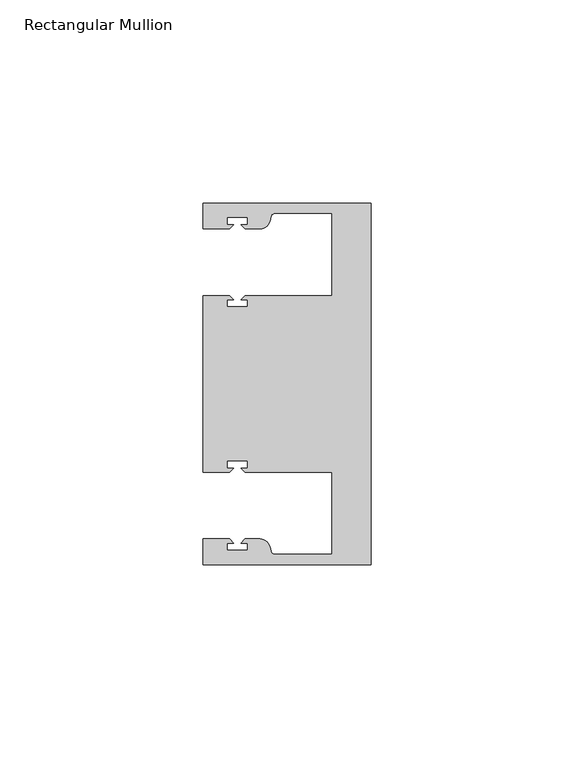
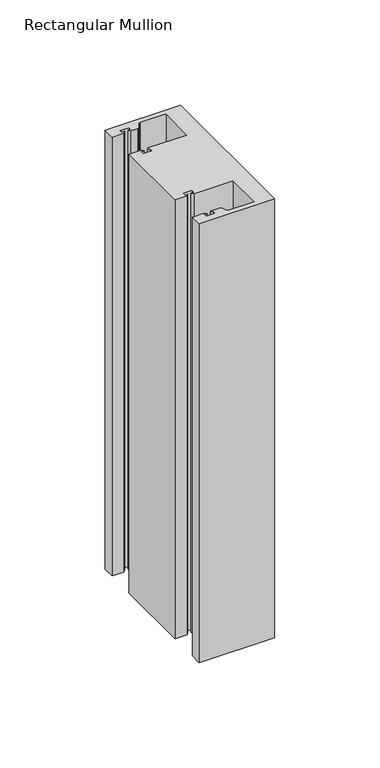
"""IFC4 building model written with IfcOpenShell, lengths in millimetres: member geometry, Rectangular Mullion."""

from ifc_helpers import new_model, si_unit, point, frame, frame_2d, origin, place, context, project, spatial, polyline, circle_curve, trimmed, segment, composite_curve, outline, extrude, source, transform, mapped, element, save


def rectangular_mullion_00c72acb(model_context):
    return source(origin(), model_context, "Body", "SweptSolid", [
        extrude(outline(composite_curve([segment(polyline([(0.0, 44.45), (0.0, -44.45), (-41.275, -44.45), (-41.275, -38.1499897), (-34.8007531, -38.1499897), (-33.8007405, -39.1500023), (-35.3749778, -39.1500023), (-35.3749778, -40.9498819), (-30.3749831, -40.9498819), (-30.3749831, -39.1500023), (-31.949256, -39.1500023), (-30.9492503, -38.1499966), (-27.2637853, -38.1499966)]), True, "CONTINUOUS"), segment(trimmed(circle_curve(frame_2d((-27.2637853, -40.6499966)), 2.5), [point((-27.2637853, -38.1499966))], [point((-24.8489707, -40.002949))], False, "CARTESIAN"), True, "CONTINUOUS"), segment(polyline([(-24.8489707, -40.002949), (-24.5258588, -41.2088192)]), True, "CONTINUOUS"), segment(trimmed(circle_curve(frame_2d((-23.5599329, -40.9500001)), 1.0), [point((-24.5258588, -41.2088192))], [point((-23.5599329, -41.9500001))], True, "CARTESIAN"), True, "CONTINUOUS"), segment(polyline([(-23.5599329, -41.9500001), (-9.525, -41.95), (-9.525, -21.7499959), (-30.9492434, -21.7499959), (-31.949256, -20.7499834), (-30.3750186, -20.7499834), (-30.3750186, -18.949936), (-35.3750134, -18.949936), (-35.3750134, -20.7499834), (-33.8007405, -20.7499834), (-34.8007562, -21.749999), (-41.275, -21.749999), (-41.275, 21.749999), (-34.8007562, 21.749999), (-33.8007405, 20.7499834), (-35.3750134, 20.7499834), (-35.3750134, 18.949936), (-30.3750186, 18.949936), (-30.3750186, 20.7499834), (-31.949256, 20.7499834), (-30.9492434, 21.7499959), (-9.525, 21.7499959), (-9.525, 41.95), (-23.5599329, 41.95)]), True, "CONTINUOUS"), segment(trimmed(circle_curve(frame_2d((-23.5599329, 40.9500001)), 1.0), [point((-23.5599329, 41.95))], [point((-24.5258588, 41.2088192))], True, "CARTESIAN"), True, "CONTINUOUS"), segment(polyline([(-24.5258588, 41.2088192), (-24.8489707, 40.002949)]), True, "CONTINUOUS"), segment(trimmed(circle_curve(frame_2d((-27.2637853, 40.6499966)), 2.5), [point((-24.8489707, 40.002949))], [point((-27.2637853, 38.1499966))], False, "CARTESIAN"), True, "CONTINUOUS"), segment(polyline([(-27.2637853, 38.1499966), (-30.9492503, 38.1499966), (-31.949256, 39.1500023), (-30.3749831, 39.1500023), (-30.3749831, 40.9498819), (-35.3749778, 40.9498819), (-35.3749778, 39.1500023), (-33.8007405, 39.1500023), (-34.8007531, 38.1499897), (-41.2749977, 38.1499897), (-41.2749977, 44.45), (0.0, 44.45)]), True, "CONTINUOUS")], self_intersect=False)), frame((0.0, 0.0, -254.0), z_axis=(0.0, 0.0, 1.0), x_axis=(1.0, 0.0, 0.0)), (0.0, 0.0, 1.0), 254.0),
    ])


if __name__ == "__main__":
    model = new_model("IFC4")
    model_context = context("Model", 3, world=origin())
    ifc_project = project(units=[si_unit("LENGTHUNIT", "METRE", prefix="MILLI")], contexts=[model_context])
    site = spatial("IfcSite", under=ifc_project)
    building = spatial("IfcBuilding", under=site)
    placement = place(None, origin())
    rectangular_mullion_shape = rectangular_mullion_00c72acb(model_context)
    element("IfcMember", 1, ObjectType="Rectangular Mullion", at=placement, inside=building, context=model_context, shape_type="MappedRepresentation", body=[
        mapped(rectangular_mullion_shape, transform((0.0, 0.0, 0.0), x_axis=(1.0, 0.0, 0.0), y_axis=(0.0, 1.0, 0.0), z_axis=(0.0, 0.0, 1.0))),
    ])
    save(model, "model.ifc")
